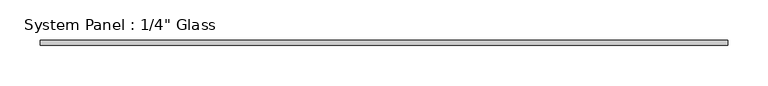
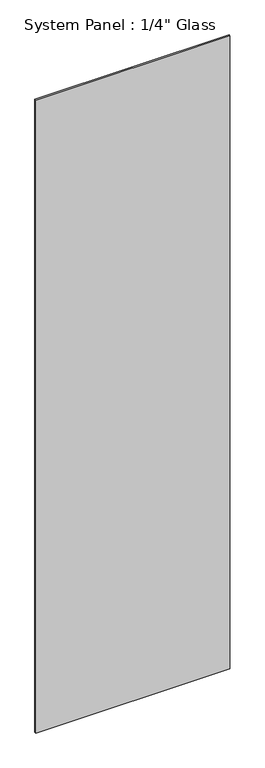
"""IFC4 building model written with IfcOpenShell, lengths in millimetres: plate geometry."""

from ifc_helpers import new_model, si_unit, origin, origin_with_axes, place, context, project, spatial, polyline, outline, extrude, source, transform, mapped, element, save


def plate_cdce64e4(model_context):
    return source(origin(), model_context, "Body", "SweptSolid", [
        extrude(outline(polyline([(429.0591185, -3.175), (-429.0591185, -3.175), (-429.0591185, 3.175), (429.0591185, 3.175), (429.0591185, -3.175)])), origin_with_axes(), (0.0, 0.0, 1.0), 2959.1),
    ])


if __name__ == "__main__":
    model = new_model("IFC4")
    model_context = context("Model", 3, world=origin())
    ifc_project = project(units=[si_unit("LENGTHUNIT", "METRE", prefix="MILLI")], contexts=[model_context])
    site = spatial("IfcSite", under=ifc_project)
    building = spatial("IfcBuilding", under=site)
    placement = place(None, origin())
    plate_shape = plate_cdce64e4(model_context)
    element("IfcPlate", 1, ObjectType="System Panel : 1/4\" Glass", at=placement, inside=building, context=model_context, shape_type="MappedRepresentation", body=[
        mapped(plate_shape, transform((0.0, 0.0, 0.0), x_axis=(1.0, 0.0, 0.0), y_axis=(0.0, 1.0, 0.0), z_axis=(0.0, 0.0, 1.0))),
    ])
    save(model, "model.ifc")
